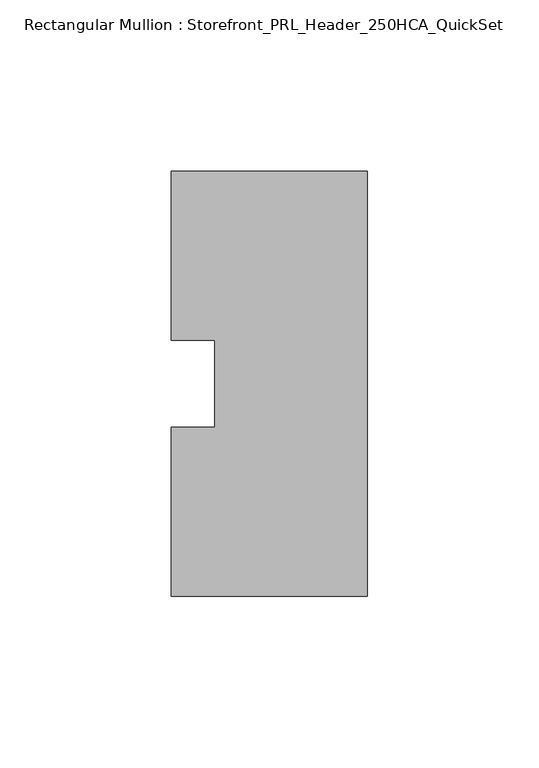
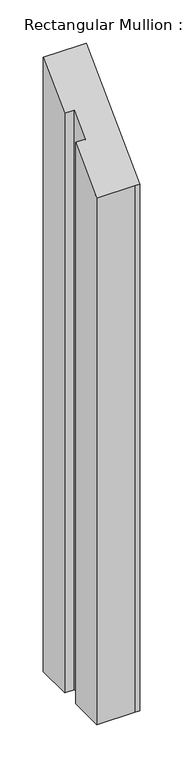
"""IFC4 building model written with IfcOpenShell, lengths in millimetres: member geometry, Rectangular Mullion : Storefront_PRL_Header_250HCA_QuickSet."""

from ifc_helpers import new_model, si_unit, origin, place, context, project, spatial, faceted_brep, source, transform, mapped, element, save


def rectangular_mullion_storefront_prl_header_250hca_quickset_0ec5ab5d(model_context):
    return source(origin(), model_context, "Body", "Brep", [
        faceted_brep([(-44.45, -12.7, -804.3333333), (-44.45, 12.7, -804.3333333), (-57.15, 12.7, -804.3333333), (-57.15, 61.9125, -804.3333333), (-7.7254924, 61.9125, -804.3333333), (0.0, 61.9125, -804.3333333), (0.0, -61.9125, -804.3333333), (-6.35, -61.9125, -804.3333333), (-57.15, -61.9125, -804.3333333), (-57.15, -12.7, -804.3333333), (-57.15, -12.7, -12.7), (-44.45, -12.7, -12.7), (-57.15, -61.9125, -61.9125), (-6.35, -61.9125, -61.9125), (0.0, -61.9125, -61.9125), (0.0, 61.9125, 61.9125), (-7.7254924, 61.9125, 61.9125), (-57.15, 61.9125, 61.9125), (-57.15, 12.7, 12.7), (-44.45, 12.7, 12.7)], [[[0, 1, 2, 3, 4, 5, 6, 7, 8, 9]], [[10, 11, 0, 9]], [[12, 10, 9, 8]], [[13, 12, 8, 7]], [[14, 13, 7, 6]], [[15, 14, 6, 5]], [[16, 15, 5, 4]], [[17, 16, 4, 3]], [[18, 17, 3, 2]], [[19, 18, 2, 1]], [[11, 19, 1, 0]], [[11, 10, 12, 13, 14, 15, 16, 17, 18, 19]]]),
    ])


if __name__ == "__main__":
    model = new_model("IFC4")
    model_context = context("Model", 3, world=origin())
    ifc_project = project(units=[si_unit("LENGTHUNIT", "METRE", prefix="MILLI")], contexts=[model_context])
    site = spatial("IfcSite", under=ifc_project)
    building = spatial("IfcBuilding", under=site)
    placement = place(None, origin())
    rectangular_mullion_storefront_prl_header_250hca_quickset_shape = rectangular_mullion_storefront_prl_header_250hca_quickset_0ec5ab5d(model_context)
    element("IfcMember", 1, ObjectType="Rectangular Mullion : Storefront_PRL_Header_250HCA_QuickSet", at=placement, inside=building, context=model_context, shape_type="MappedRepresentation", body=[
        mapped(rectangular_mullion_storefront_prl_header_250hca_quickset_shape, transform((0.0, 0.0, 0.0), x_axis=(1.0, 0.0, 0.0), y_axis=(0.0, 1.0, 0.0), z_axis=(0.0, 0.0, 1.0))),
    ])
    save(model, "model.ifc")
